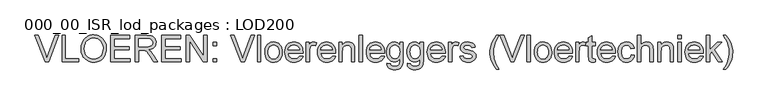
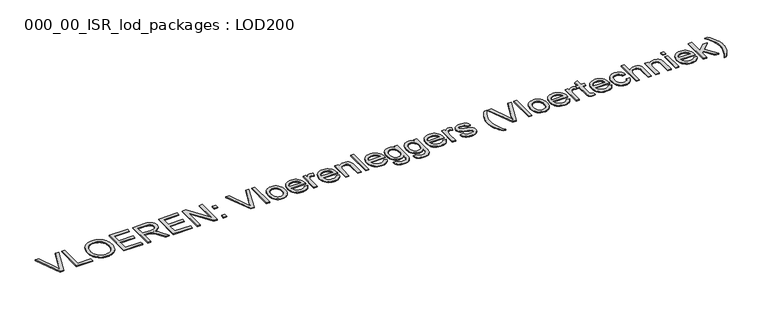
"""IFC4 building model written with IfcOpenShell, lengths in millimetres: proxy geometry, 000_00_ISR_lod_packages : LOD200."""

from ifc_helpers import new_model, si_unit, origin, origin_with_axes, place, context, project, spatial, polyline, outline, extrude, source, transform, mapped, element, save


def proxy_000_00_isr_lod_packages_lod200_28711eda(model_context):
    return source(origin(), model_context, "Body", "SweptSolid", [
        extrude(outline(polyline([(823.5806792, 500.0), (505.4645712, 1299.3886983), (612.4140357, 1299.3886983), (825.3371485, 723.4619286), (868.4682281, 593.6783631), (911.013818, 723.4619286), (1124.5224206, 1299.3886983), (1231.4718851, 1299.3886983), (926.8220418, 500.0), (823.5806792, 500.0)])), origin_with_axes(), (0.0, 0.0, 1.0), 25.0),
        extrude(outline(polyline([(1324.3695952, 500.0), (1324.3695952, 1299.3886983), (1424.2931825, 1299.3886983), (1424.2931825, 599.9235873), (1823.9875316, 599.9235873), (1823.9875316, 500.0), (1324.3695952, 500.0)])), origin_with_axes(), (0.0, 0.0, 1.0), 25.0),
        extrude(outline(polyline([(1898.9302221, 889.1555333), (1900.5952086, 937.3822036), (1905.5901682, 982.9192803), (1913.9151009, 1025.7667634), (1925.5700066, 1065.9246528), (1940.5548854, 1103.3929486), (1958.8697372, 1138.1716508), (1980.5145621, 1170.2607594), (2005.4893601, 1199.6602743), (2033.0958126, 1225.9615725), (2062.6356011, 1248.756031), (2094.1087257, 1268.0436497), (2127.5151862, 1283.8244286), (2162.8549827, 1296.0983678), (2200.1281153, 1304.8654672), (2239.3345839, 1310.1257269), (2280.4743884, 1311.8791468), (2334.2540633, 1308.5857668), (2385.3258479, 1298.7056269), (2433.6897424, 1282.2387272), (2479.3457467, 1259.1850675), (2521.013102, 1230.239917), (2557.4110493, 1196.0985449), (2588.5395887, 1156.760951), (2614.3987202, 1112.2271354), (2634.7200943, 1063.5095075), (2649.2353614, 1011.6204767), (2657.9445218, 956.560043), (2660.8475752, 898.3282064), (2657.7920505, 839.3279144), (2648.6254763, 783.5234208), (2633.3478526, 730.9147255), (2611.9591795, 681.5018285), (2584.9656616, 636.5898841), (2552.8735036, 597.4840466), (2515.6827055, 564.184316), (2473.3932674, 536.6906922), (2427.6701757, 515.1739432), (2380.1784171, 499.8048367), (2330.9179914, 490.5833729), (2279.8888987, 487.5095516), (2225.1700006, 490.906612), (2173.4273423, 501.0977933), (2124.6609236, 518.0830955), (2078.8707445, 541.8625185), (2037.2521801, 571.5151358), (2001.0006052, 606.1200207), (1970.1160199, 645.6771732), (1944.5984241, 690.1865934), (1924.6185857, 737.8613176), (1910.3472726, 786.9143824), (1901.7844847, 837.3457876), (1898.9302221, 889.1555333)]), holes=[polyline([(1998.8538094, 888.179717), (2003.848769, 821.9339892), (2018.8336478, 763.1288605), (2043.8084457, 711.7643309), (2078.7731629, 667.8404005), (2121.2760608, 632.6622236), (2168.8654011, 607.5349543), (2221.5411838, 592.4585927), (2279.3034089, 587.4331389), (2338.0536479, 592.5073835), (2391.3515135, 607.7301175), (2439.1970056, 633.1013409), (2481.5901242, 668.6210536), (2500.1839985, 689.9822819), (2516.2986896, 713.4720094), (2541.090522, 766.8369624), (2555.9656214, 828.7159123), (2560.9239879, 899.1088594), (2558.8015875, 944.8380499), (2552.4343863, 987.5666054), (2541.8223842, 1027.2945258), (2526.9655813, 1064.0218111), (2508.0286466, 1097.266652), (2485.176249, 1126.5472394), (2458.4083886, 1151.863573), (2427.7250654, 1173.2156531), (2394.0777002, 1190.1643621), (2358.417714, 1202.2705829), (2320.7451066, 1209.5343153), (2281.0598782, 1211.9555595), (2225.3041754, 1207.2899379), (2173.5737147, 1193.2930731), (2125.8684962, 1169.9649651), (2082.1885199, 1137.3056139), (2062.6569471, 1117.0833461), (2045.729584, 1093.7415157), (2031.4064307, 1067.2801226), (2019.687487, 1037.6991669), (2010.5727531, 1004.9986484), (2004.0622288, 969.1785673), (1998.8538094, 888.179717)])]), origin_with_axes(), (0.0, 0.0, 1.0), 25.0),
        extrude(outline(polyline([(2798.2425077, 500.0), (2798.2425077, 1299.3886983), (3372.8031347, 1299.3886983), (3372.8031347, 1199.465111), (2898.166095, 1199.465111), (2898.166095, 962.1465912), (3347.8222378, 962.1465912), (3347.8222378, 862.2230039), (2898.166095, 862.2230039), (2898.166095, 599.9235873), (3385.2935831, 599.9235873), (3385.2935831, 500.0), (2798.2425077, 500.0)])), origin_with_axes(), (0.0, 0.0, 1.0), 25.0),
        extrude(outline(polyline([(3535.178964, 500.0), (3535.178964, 1299.3886983), (3879.6421116, 1299.3886983), (3972.2226814, 1293.9973134), (4009.0536472, 1287.2580822), (4039.5784003, 1277.8231585), (4065.5717065, 1264.966779), (4088.8083317, 1247.9631803), (4109.2882759, 1226.8123624), (4127.0115391, 1201.5143252), (4141.3133465, 1173.4291129), (4151.5289232, 1143.9167692), (4157.6582693, 1112.9772942), (4159.7013846, 1080.6106879), (4156.3165219, 1039.5532178), (4146.1619337, 1001.8623139), (4129.23762, 967.5379762), (4105.5435809, 936.5802046), (4074.7748738, 909.9770132), (4036.626556, 888.716416), (3991.0986276, 872.7984129), (3938.1910885, 862.2230039), (3971.1248881, 840.7062549), (3994.9835962, 819.4822508), (4035.9190892, 770.9353907), (4075.9763476, 716.6312146), (4209.2728517, 500.0), (4093.1507142, 500.0), (3989.1286985, 665.6936047), (3913.9908448, 775.3753548), (3886.0581037, 807.3577335), (3861.1991839, 827.1911994), (3837.6576161, 838.8278086), (3813.6769309, 846.2196169), (3755.7134438, 849.7325555), (3635.1025513, 849.7325555), (3635.1025513, 500.0), (3535.178964, 500.0)]), holes=[polyline([(3635.1025513, 949.6561428), (3858.7596432, 949.6561428), (3922.99275, 953.1934768), (3972.8325666, 963.8054789), (4010.3527026, 982.1996158), (4025.270494, 994.5802849), (4037.6267677, 1009.0833544), (4054.2400399, 1041.602432), (4059.7777973, 1076.902586), (4057.1369945, 1102.4567749), (4049.2145861, 1125.6446093), (4036.010572, 1146.4660892), (4017.5249523, 1164.9212147), (3993.3308073, 1180.0341693), (3963.0012175, 1190.829137), (3926.5361828, 1197.3061175), (3883.9357033, 1199.465111), (3635.1025513, 1199.465111), (3635.1025513, 949.6561428)])]), origin_with_axes(), (0.0, 0.0, 1.0), 25.0),
        extrude(outline(polyline([(4334.5676624, 500.0), (4334.5676624, 1299.3886983), (4909.1282893, 1299.3886983), (4909.1282893, 1199.465111), (4434.4912497, 1199.465111), (4434.4912497, 962.1465912), (4884.1473925, 962.1465912), (4884.1473925, 862.2230039), (4434.4912497, 862.2230039), (4434.4912497, 599.9235873), (4921.6187377, 599.9235873), (4921.6187377, 500.0), (4334.5676624, 500.0)])), origin_with_axes(), (0.0, 0.0, 1.0), 25.0),
        extrude(outline(polyline([(5071.5041186, 500.0), (5071.5041186, 1299.3886983), (5178.4535832, 1299.3886983), (5596.1029519, 666.0839312), (5596.1029519, 1299.3886983), (5696.0265392, 1299.3886983), (5696.0265392, 500.0), (5589.0770747, 500.0), (5171.4277059, 1133.4999304), (5171.4277059, 500.0), (5071.5041186, 500.0)])), origin_with_axes(), (0.0, 0.0, 1.0), 25.0),
        extrude(outline(polyline([(5883.3832654, 500.0), (5883.3832654, 599.9235873), (5983.3068527, 599.9235873), (5983.3068527, 500.0), (5883.3832654, 500.0)])), origin_with_axes(), (0.0, 0.0, 1.0), 25.0),
        extrude(outline(polyline([(5883.3832654, 987.1274881), (5883.3832654, 1087.0510753), (5983.3068527, 1087.0510753), (5983.3068527, 987.1274881), (5883.3832654, 987.1274881)])), origin_with_axes(), (0.0, 0.0, 1.0), 25.0),
        extrude(outline(polyline([(6731.5627778, 500.0), (6413.4466699, 1299.3886983), (6520.3961344, 1299.3886983), (6733.3192472, 723.4619286), (6776.4503268, 593.6783631), (6818.9959167, 723.4619286), (7032.5045193, 1299.3886983), (7139.4539838, 1299.3886983), (6834.8041405, 500.0), (6731.5627778, 500.0)])), origin_with_axes(), (0.0, 0.0, 1.0), 25.0),
        extrude(outline(polyline([(7219.8612454, 500.0), (7219.8612454, 1299.3886983), (7319.7848327, 1299.3886983), (7319.7848327, 500.0), (7219.8612454, 500.0)])), origin_with_axes(), (0.0, 0.0, 1.0), 25.0),
        extrude(outline(polyline([(7444.6893168, 793.5255377), (7450.0928995, 869.5538238), (7456.8473778, 903.6250591), (7466.3036475, 935.0676894), (7478.4617085, 963.8817146), (7493.3215608, 990.0671346), (7510.8832045, 1013.6239495), (7531.1466394, 1034.5521594), (7569.2278699, 1062.9850063), (7611.2611562, 1083.2941827), (7657.2464985, 1095.4796885), (7707.1838967, 1099.5415238), (7762.3114178, 1094.595355), (7812.1573333, 1079.7568486), (7856.7216431, 1055.0260047), (7896.0043473, 1020.4028233), (7928.0660111, 977.0582838), (7950.9671994, 926.1633658), (7964.7079125, 867.7180694), (7969.2881501, 801.7223944), (7967.2633313, 748.2354645), (7961.188875, 700.7742001), (7951.0647811, 659.3386012), (7936.8910496, 623.9286678), (7918.8445472, 593.3429262), (7897.1021407, 566.3799026), (7871.66383, 543.0395969), (7842.5296151, 523.3220091), (7810.8338825, 507.654059), (7777.7110185, 496.462666), (7743.1610233, 489.7478302), (7707.1838967, 487.5095516), (7651.2513272, 492.4374238), (7600.941899, 507.2210405), (7556.2556122, 531.8604016), (7517.1924666, 566.3555072), (7485.4723386, 610.1208674), (7462.8151043, 662.5709926), (7449.2207637, 723.7058827), (7444.6893168, 793.5255377)]), holes=[polyline([(7544.6129041, 793.7207009), (7547.5037599, 745.253126), (7556.1763271, 703.286927), (7570.6306058, 667.822104), (7590.8665959, 638.858657), (7615.4815616, 616.3599928), (7643.072767, 600.2895184), (7673.640212, 590.6472338), (7707.1838967, 587.4331389), (7740.5568136, 590.6655303), (7771.0022816, 600.3627046), (7798.5203008, 616.5246618), (7823.1108711, 639.1514018), (7843.3468612, 668.4014949), (7857.8011399, 704.4335111), (7866.4737071, 747.2474505), (7869.3645628, 796.843313), (7866.4554105, 843.7739774), (7857.7279537, 884.642383), (7843.1821922, 919.44853), (7822.8181262, 948.1924184), (7798.1360731, 970.6910825), (7770.6363505, 986.7615569), (7740.3189584, 996.4038416), (7707.1838967, 999.6179365), (7673.640212, 996.4160393), (7643.072767, 986.8103478), (7615.4815616, 970.8008619), (7590.8665959, 948.3875817), (7570.6306058, 919.5095186), (7556.1763271, 884.1056841), (7547.5037599, 842.1760782), (7544.6129041, 793.7207009)])]), origin_with_axes(), (0.0, 0.0, 1.0), 25.0),
        extrude(outline(polyline([(8492.7160039, 674.8662778), (8590.6879586, 662.3758294), (8575.6664867, 623.1358171), (8555.3878046, 588.5553276), (8529.8519123, 558.6343609), (8499.0588097, 533.3729168), (8463.3256372, 513.3076945), (8422.9695351, 498.9753929), (8377.9905034, 490.3760119), (8328.388542, 487.5095516), (8266.3876149, 492.4557204), (8211.1442157, 507.2942267), (8162.6583441, 532.0250706), (8120.9300004, 566.6482521), (8087.374118, 610.2001525), (8063.4056305, 661.7171534), (8049.0245381, 721.1992546), (8044.2308406, 788.6464563), (8049.0733289, 858.3807273), (8063.6007938, 919.8449554), (8087.8132353, 973.0391405), (8103.5513223, 996.5349669), (8121.7106534, 1017.9632826), (8163.3292178, 1053.6537631), (8210.7050983, 1079.1469635), (8263.8382949, 1094.4428837), (8322.7288075, 1099.5415238), (8379.7225773, 1094.4550814), (8431.2639735, 1079.1957543), (8477.3529963, 1053.7635424), (8517.9896456, 1018.1584458), (8551.1613003, 973.3318854), (8574.8553394, 920.2352819), (8589.0717629, 858.8686355), (8593.8105707, 789.231946), (8593.2250809, 762.2994166), (8144.1544279, 762.2994166), (8149.9422382, 722.4251238), (8161.4507715, 687.5030986), (8178.6800277, 657.5333411), (8201.6300069, 632.5158511), (8229.0321479, 612.7921645), (8259.6178895, 598.7038169), (8293.3872317, 590.2508084), (8330.3401745, 587.4331389), (8383.5221619, 592.653756), (8428.3121293, 608.3156073), (8447.5601054, 620.3059499), (8464.7100766, 635.3945091), (8479.7620427, 653.5812851), (8492.7160039, 674.8662778)]), holes=[polyline([(8144.1544279, 862.2230039), (8493.8869834, 862.2230039), (8488.7517502, 890.4972807), (8480.3719279, 915.0146648), (8468.7475165, 935.7751562), (8453.8785159, 952.7787549), (8426.6288462, 973.2708968), (8395.6222838, 987.9081411), (8360.8588288, 996.6904876), (8322.338481, 999.6179365), (8287.202996, 997.2820762), (8254.9827621, 990.2744956), (8225.6777794, 978.5951944), (8199.2880478, 962.2441729), (8177.1431171, 941.9776884), (8160.5725368, 918.5519988), (8149.5763071, 891.967104), (8144.1544279, 862.2230039)])]), origin_with_axes(), (0.0, 0.0, 1.0), 25.0),
        extrude(outline(polyline([(8693.734158, 500.0), (8693.734158, 1087.0510753), (8781.1672969, 1087.0510753), (8781.1672969, 1000.2034262), (8813.4668158, 1050.5555464), (8828.6651544, 1067.973867), (8843.2292124, 1080.2203614), (8873.0891907, 1094.7112332), (8905.6814545, 1099.5415238), (8930.4671881, 1097.6142866), (8955.4480849, 1091.8325751), (8980.624145, 1082.1963893), (9005.9953683, 1068.7057292), (8972.6224514, 979.1257945), (8937.4930653, 994.494901), (8902.3636791, 999.6179365), (8872.5280963, 994.6900642), (8845.8639164, 979.9064476), (8824.322772, 956.3892752), (8809.8562956, 925.2607358), (8797.7073829, 869.4440444), (8793.6577453, 808.5531084), (8793.6577453, 500.0), (8693.734158, 500.0)])), origin_with_axes(), (0.0, 0.0, 1.0), 25.0),
        extrude(outline(polyline([(9479.4614284, 674.8662778), (9577.4333831, 662.3758294), (9562.4119112, 623.1358171), (9542.1332291, 588.5553276), (9516.5973368, 558.6343609), (9485.8042342, 533.3729168), (9450.0710617, 513.3076945), (9409.7149596, 498.9753929), (9364.7359279, 490.3760119), (9315.1339665, 487.5095516), (9253.1330395, 492.4557204), (9197.8896402, 507.2942267), (9149.4037687, 532.0250706), (9107.6754249, 566.6482521), (9074.1195425, 610.2001525), (9050.1510551, 661.7171534), (9035.7699626, 721.1992546), (9030.9762651, 788.6464563), (9035.8187534, 858.3807273), (9050.3462183, 919.8449554), (9074.5586598, 973.0391405), (9090.2967468, 996.5349669), (9108.4560779, 1017.9632826), (9150.0746424, 1053.6537631), (9197.4505229, 1079.1469635), (9250.5837194, 1094.4428837), (9309.474232, 1099.5415238), (9366.4680018, 1094.4550814), (9418.009398, 1079.1957543), (9464.0984208, 1053.7635424), (9504.7350701, 1018.1584458), (9537.9067248, 973.3318854), (9561.6007639, 920.2352819), (9575.8171874, 858.8686355), (9580.5559952, 789.231946), (9579.9705055, 762.2994166), (9130.8998524, 762.2994166), (9136.6876627, 722.4251238), (9148.196196, 687.5030986), (9165.4254522, 657.5333411), (9188.3754314, 632.5158511), (9215.7775724, 612.7921645), (9246.363314, 598.7038169), (9280.1326562, 590.2508084), (9317.085599, 587.4331389), (9370.2675864, 592.653756), (9415.0575538, 608.3156073), (9434.3055299, 620.3059499), (9451.4555011, 635.3945091), (9466.5074673, 653.5812851), (9479.4614284, 674.8662778)]), holes=[polyline([(9130.8998524, 862.2230039), (9480.6324079, 862.2230039), (9475.4971748, 890.4972807), (9467.1173524, 915.0146648), (9455.492941, 935.7751562), (9440.6239404, 952.7787549), (9413.3742707, 973.2708968), (9382.3677083, 987.9081411), (9347.6042533, 996.6904876), (9309.0839055, 999.6179365), (9273.9484205, 997.2820762), (9241.7281867, 990.2744956), (9212.4232039, 978.5951944), (9186.0334724, 962.2441729), (9163.8885416, 941.9776884), (9147.3179614, 918.5519988), (9136.3217316, 891.967104), (9130.8998524, 862.2230039)])]), origin_with_axes(), (0.0, 0.0, 1.0), 25.0),
        extrude(outline(polyline([(9680.4795825, 500.0), (9680.4795825, 1087.0510753), (9780.4031698, 1087.0510753), (9780.4031698, 1005.0825076), (9796.8883661, 1027.2213395), (9815.1178341, 1046.4083272), (9835.0915736, 1062.6434706), (9856.8095847, 1075.9267697), (9880.2718674, 1086.2582246), (9905.4784218, 1093.6378352), (9961.1243453, 1099.5415238), (10010.3786721, 1094.7844194), (10055.4857798, 1080.5131063), (10093.1034974, 1058.5084491), (10119.8896544, 1030.5513126), (10138.0642326, 996.714883), (10149.8472142, 957.0723466), (10153.7992702, 919.161884), (10155.1166222, 860.4665346), (10155.1166222, 500.0), (10055.1930349, 500.0), (10055.1930349, 847.0002699), (10052.3143768, 898.6697421), (10043.6784027, 935.4092251), (10027.7482019, 961.7318693), (10002.9868638, 982.150825), (9971.2484392, 995.2511586), (9934.3869791, 999.6179365), (9904.0451916, 997.1661981), (9875.8623976, 989.8109828), (9849.8385971, 977.5522908), (9825.9737902, 960.3901219), (9806.0366438, 936.3728437), (9791.7958249, 903.5488235), (9783.2513336, 861.9180613), (9780.4031698, 811.4805573), (9780.4031698, 500.0), (9680.4795825, 500.0)])), origin_with_axes(), (0.0, 0.0, 1.0), 25.0),
        extrude(outline(polyline([(10953.334341, 674.8662778), (11051.3062957, 662.3758294), (11036.2848238, 623.1358171), (11016.0061417, 588.5553276), (10990.4702494, 558.6343609), (10959.6771468, 533.3729168), (10923.9439743, 513.3076945), (10883.5878722, 498.9753929), (10838.6088404, 490.3760119), (10789.0068791, 487.5095516), (10727.005952, 492.4557204), (10671.7625527, 507.2942267), (10623.2766812, 532.0250706), (10581.5483375, 566.6482521), (10547.9924551, 610.2001525), (10524.0239676, 661.7171534), (10509.6428752, 721.1992546), (10504.8491777, 788.6464563), (10509.691666, 858.3807273), (10524.2191309, 919.8449554), (10548.4315724, 973.0391405), (10564.1696594, 996.5349669), (10582.3289905, 1017.9632826), (10623.9475549, 1053.6537631), (10671.3234354, 1079.1469635), (10724.456632, 1094.4428837), (10783.3471446, 1099.5415238), (10840.3409143, 1094.4550814), (10891.8823106, 1079.1957543), (10937.9713334, 1053.7635424), (10978.6079827, 1018.1584458), (11011.7796374, 973.3318854), (11035.4736765, 920.2352819), (11049.6901, 858.8686355), (11054.4289078, 789.231946), (11053.843418, 762.2994166), (10604.772765, 762.2994166), (10610.5605753, 722.4251238), (10622.0691086, 687.5030986), (10639.2983648, 657.5333411), (10662.248344, 632.5158511), (10689.650485, 612.7921645), (10720.2362266, 598.7038169), (10754.0055688, 590.2508084), (10790.9585116, 587.4331389), (10844.140499, 592.653756), (10888.9304663, 608.3156073), (10908.1784425, 620.3059499), (10925.3284137, 635.3945091), (10940.3803798, 653.5812851), (10953.334341, 674.8662778)]), holes=[polyline([(10604.772765, 862.2230039), (10954.5053205, 862.2230039), (10949.3700873, 890.4972807), (10940.990265, 915.0146648), (10929.3658535, 935.7751562), (10914.4968529, 952.7787549), (10887.2471833, 973.2708968), (10856.2406209, 987.9081411), (10821.4771658, 996.6904876), (10782.9568181, 999.6179365), (10747.8213331, 997.2820762), (10715.6010992, 990.2744956), (10686.2961165, 978.5951944), (10659.9063849, 962.2441729), (10637.7614542, 941.9776884), (10621.1908739, 918.5519988), (10610.1946442, 891.967104), (10604.772765, 862.2230039)])]), origin_with_axes(), (0.0, 0.0, 1.0), 25.0),
        extrude(outline(polyline([(11129.3715983, 450.0382064), (11229.2951856, 437.5477579), (11233.515591, 420.7149271), (11240.3219095, 406.3216369), (11249.7141413, 394.3678875), (11261.6922861, 384.8536787), (11281.074437, 375.1199113), (11303.7011771, 368.1672203), (11358.6884246, 362.6050675), (11389.8901502, 364.1785712), (11417.3349831, 368.8990825), (11441.0229234, 376.7666013), (11460.9539709, 387.7811276), (11477.5428477, 401.6377188), (11491.2042757, 418.0314323), (11501.9382548, 436.9622682), (11509.7447851, 458.4302264), (11515.1605654, 501.4149336), (11516.575499, 574.9426905), (11483.3245592, 542.1552634), (11446.2191451, 518.7356726), (11405.2592566, 504.6839182), (11360.4448939, 500.0), (11305.6589085, 505.4523735), (11257.4230899, 521.8094939), (11235.7614931, 534.0773342), (11215.7374381, 549.0713613), (11180.6019531, 587.2379756), (11152.7241017, 633.0281547), (11132.8113507, 683.1607162), (11120.8637001, 737.6356601), (11116.8811499, 796.4529865), (11118.6681134, 837.6019394), (11124.0290041, 877.1285976), (11132.963822, 915.0329614), (11145.4725669, 951.3150305), (11161.3661746, 984.7672324), (11180.4555806, 1014.1819945), (11202.740785, 1039.5593167), (11228.2217876, 1060.899199), (11256.4899656, 1077.8052161), (11287.1366957, 1089.8809426), (11320.161978, 1097.1263785), (11355.5658125, 1099.5415238), (11402.2952147, 1094.0769526), (11444.7066298, 1077.683239), (11482.800058, 1050.3603831), (11516.575499, 1012.1083849), (11516.575499, 1087.0510753), (11616.4990863, 1087.0510753), (11616.4990863, 580.2120984), (11614.7914078, 516.704755), (11609.6683723, 463.1873308), (11601.1299799, 419.6598257), (11589.1762304, 386.1222399), (11573.5204779, 359.0738323), (11553.8760764, 335.0138621), (11530.2430258, 313.9423293), (11502.6213262, 295.8592338), (11471.2915247, 281.3439666), (11436.5341685, 270.9759186), (11398.3492576, 264.7550898), (11356.736792, 262.6814802), (11307.7813089, 265.6028302), (11263.7658957, 274.3668802), (11224.6905525, 288.9736301), (11190.5552792, 309.4230801), (11162.9823703, 335.7396255), (11143.5941206, 367.9476616), (11132.3905299, 406.0471886), (11129.3715983, 450.0382064)]), holes=[polyline([(11216.8047371, 803.2837005), (11219.4699354, 753.8769024), (11227.46553, 711.6301562), (11240.7915211, 676.543462), (11259.4479087, 648.6168198), (11282.1295384, 627.3135306), (11307.531256, 612.0968954), (11335.6530615, 602.9669143), (11366.4949548, 599.9235873), (11397.0319056, 602.9486178), (11425.0195364, 612.0237092), (11450.4578471, 627.1488616), (11473.3468377, 648.3240749), (11492.259377, 675.9762688), (11505.7683337, 710.5323629), (11513.8737077, 751.9923572), (11516.575499, 800.3562516), (11513.7944226, 846.7014262), (11505.4511934, 886.9843421), (11491.5458114, 921.2049993), (11472.0782766, 949.3633979), (11448.6952789, 971.3497585), (11423.0435084, 987.0543018), (11395.122965, 996.4770278), (11364.9336488, 999.6179365), (11335.2505372, 996.5258186), (11307.8727917, 987.2494651), (11282.8004121, 971.7888759), (11260.0333984, 950.144051), (11241.1208591, 922.412572), (11227.6119025, 888.6920206), (11219.5065285, 848.9823968), (11216.8047371, 803.2837005)])]), origin_with_axes(), (0.0, 0.0, 1.0), 25.0),
        extrude(outline(polyline([(11741.4035704, 450.0382064), (11841.3271577, 437.5477579), (11845.5475631, 420.7149271), (11852.3538817, 406.3216369), (11861.7461134, 394.3678875), (11873.7242583, 384.8536787), (11893.1064092, 375.1199113), (11915.7331492, 368.1672203), (11970.7203967, 362.6050675), (12001.9221224, 364.1785712), (12029.3669553, 368.8990825), (12053.0548955, 376.7666013), (12072.9859431, 387.7811276), (12089.5748199, 401.6377188), (12103.2362479, 418.0314323), (12113.970227, 436.9622682), (12121.7767572, 458.4302264), (12127.1925376, 501.4149336), (12128.6074712, 574.9426905), (12095.3565314, 542.1552634), (12058.2511173, 518.7356726), (12017.2912288, 504.6839182), (11972.476866, 500.0), (11917.6908807, 505.4523735), (11869.4550621, 521.8094939), (11847.7934653, 534.0773342), (11827.7694103, 549.0713613), (11792.6339252, 587.2379756), (11764.7560738, 633.0281547), (11744.8433228, 683.1607162), (11732.8956722, 737.6356601), (11728.913122, 796.4529865), (11730.7000856, 837.6019394), (11736.0609763, 877.1285976), (11744.9957941, 915.0329614), (11757.5045391, 951.3150305), (11773.3981468, 984.7672324), (11792.4875528, 1014.1819945), (11814.7727571, 1039.5593167), (11840.2537598, 1060.899199), (11868.5219377, 1077.8052161), (11899.1686679, 1089.8809426), (11932.1939502, 1097.1263785), (11967.5977846, 1099.5415238), (12014.3271869, 1094.0769526), (12056.738602, 1077.683239), (12094.8320301, 1050.3603831), (12128.6074712, 1012.1083849), (12128.6074712, 1087.0510753), (12228.5310585, 1087.0510753), (12228.5310585, 580.2120984), (12226.82338, 516.704755), (12221.7003445, 463.1873308), (12213.161952, 419.6598257), (12201.2082026, 386.1222399), (12185.5524501, 359.0738323), (12165.9080486, 335.0138621), (12142.274998, 313.9423293), (12114.6532984, 295.8592338), (12083.3234969, 281.3439666), (12048.5661407, 270.9759186), (12010.3812298, 264.7550898), (11968.7687642, 262.6814802), (11919.8132811, 265.6028302), (11875.7978679, 274.3668802), (11836.7225246, 288.9736301), (11802.5872513, 309.4230801), (11775.0143425, 335.7396255), (11755.6260927, 367.9476616), (11744.4225021, 406.0471886), (11741.4035704, 450.0382064)]), holes=[polyline([(11828.8367093, 803.2837005), (11831.5019075, 753.8769024), (11839.4975022, 711.6301562), (11852.8234933, 676.543462), (11871.4798808, 648.6168198), (11894.1615106, 627.3135306), (11919.5632281, 612.0968954), (11947.6850336, 602.9669143), (11978.526927, 599.9235873), (12009.0638778, 602.9486178), (12037.0515085, 612.0237092), (12062.4898192, 627.1488616), (12085.3788099, 648.3240749), (12104.2913492, 675.9762688), (12117.8003059, 710.5323629), (12125.9056799, 751.9923572), (12128.6074712, 800.3562516), (12125.8263948, 846.7014262), (12117.4831656, 886.9843421), (12103.5777836, 921.2049993), (12084.1102487, 949.3633979), (12060.7272511, 971.3497585), (12035.0754805, 987.0543018), (12007.1549372, 996.4770278), (11976.9656209, 999.6179365), (11947.2825094, 996.5258186), (11919.9047638, 987.2494651), (11894.8323842, 971.7888759), (11872.0653706, 950.144051), (11853.1528313, 922.412572), (11839.6438746, 888.6920206), (11831.5385006, 848.9823968), (11828.8367093, 803.2837005)])]), origin_with_axes(), (0.0, 0.0, 1.0), 25.0),
        extrude(outline(polyline([(12789.4302575, 674.8662778), (12887.4022122, 662.3758294), (12872.3807403, 623.1358171), (12852.1020582, 588.5553276), (12826.5661659, 558.6343609), (12795.7730633, 533.3729168), (12760.0398908, 513.3076945), (12719.6837887, 498.9753929), (12674.7047569, 490.3760119), (12625.1027956, 487.5095516), (12563.1018685, 492.4557204), (12507.8584693, 507.2942267), (12459.3725977, 532.0250706), (12417.644254, 566.6482521), (12384.0883716, 610.2001525), (12360.1198841, 661.7171534), (12345.7387917, 721.1992546), (12340.9450942, 788.6464563), (12345.7875825, 858.3807273), (12360.3150474, 919.8449554), (12384.5274889, 973.0391405), (12400.2655759, 996.5349669), (12418.424907, 1017.9632826), (12460.0434714, 1053.6537631), (12507.4193519, 1079.1469635), (12560.5525485, 1094.4428837), (12619.4430611, 1099.5415238), (12676.4368308, 1094.4550814), (12727.9782271, 1079.1957543), (12774.0672499, 1053.7635424), (12814.7038992, 1018.1584458), (12847.8755539, 973.3318854), (12871.569593, 920.2352819), (12885.7860165, 858.8686355), (12890.5248243, 789.231946), (12889.9393345, 762.2994166), (12440.8686815, 762.2994166), (12446.6564918, 722.4251238), (12458.1650251, 687.5030986), (12475.3942813, 657.5333411), (12498.3442605, 632.5158511), (12525.7464015, 612.7921645), (12556.3321431, 598.7038169), (12590.1014853, 590.2508084), (12627.0544281, 587.4331389), (12680.2364155, 592.653756), (12725.0263828, 608.3156073), (12744.274359, 620.3059499), (12761.4243302, 635.3945091), (12776.4762963, 653.5812851), (12789.4302575, 674.8662778)]), holes=[polyline([(12440.8686815, 862.2230039), (12790.601237, 862.2230039), (12785.4660038, 890.4972807), (12777.0861815, 915.0146648), (12765.46177, 935.7751562), (12750.5927694, 952.7787549), (12723.3430998, 973.2708968), (12692.3365374, 987.9081411), (12657.5730823, 996.6904876), (12619.0527346, 999.6179365), (12583.9172496, 997.2820762), (12551.6970157, 990.2744956), (12522.392033, 978.5951944), (12496.0023014, 962.2441729), (12473.8573707, 941.9776884), (12457.2867904, 918.5519988), (12446.2905607, 891.967104), (12440.8686815, 862.2230039)])]), origin_with_axes(), (0.0, 0.0, 1.0), 25.0),
        extrude(outline(polyline([(12990.4484116, 500.0), (12990.4484116, 1087.0510753), (13077.8815505, 1087.0510753), (13077.8815505, 1000.2034262), (13110.1810694, 1050.5555464), (13125.379408, 1067.973867), (13139.943466, 1080.2203614), (13169.8034443, 1094.7112332), (13202.3957081, 1099.5415238), (13227.1814416, 1097.6142866), (13252.1623385, 1091.8325751), (13277.3383985, 1082.1963893), (13302.7096219, 1068.7057292), (13269.336705, 979.1257945), (13234.2073189, 994.494901), (13199.0779327, 999.6179365), (13169.2423499, 994.6900642), (13142.57817, 979.9064476), (13121.0370256, 956.3892752), (13106.5705492, 925.2607358), (13094.4216365, 869.4440444), (13090.3719989, 808.5531084), (13090.3719989, 500.0), (12990.4484116, 500.0)])), origin_with_axes(), (0.0, 0.0, 1.0), 25.0),
        extrude(outline(polyline([(13327.6905187, 674.8662778), (13427.614106, 687.3567262), (13433.6519692, 664.571416), (13443.373539, 644.615973), (13456.7788151, 627.4903973), (13473.8677978, 613.1946887), (13494.6892777, 601.9240107), (13519.2920457, 593.8735263), (13547.6761018, 589.0432357), (13579.841446, 587.4331389), (13611.9701971, 588.909061), (13639.6589841, 593.3368274), (13662.907807, 600.716438), (13681.7166659, 611.0478929), (13696.2319331, 623.3675735), (13706.5999811, 636.7118611), (13712.8208099, 651.0807559), (13714.8944195, 666.4742577), (13712.8086122, 679.9649178), (13706.5511903, 691.9430627), (13696.1221537, 702.4086923), (13681.5215026, 711.3618067), (13644.0989482, 724.0474184), (13578.6704665, 739.8556422), (13487.4804349, 766.2270772), (13428.1995958, 788.7440379), (13390.1183654, 813.3102128), (13375.0115095, 828.5756388), (13362.52716, 845.8292904), (13345.7675153, 884.2276611), (13340.1809671, 926.4317153), (13344.669722, 965.1472263), (13358.1359867, 1000.8864976), (13379.3599908, 1032.2345957), (13407.1219641, 1057.7765869), (13434.7131695, 1073.8531601), (13470.647604, 1087.3438202), (13512.1929823, 1096.4920979), (13556.6170185, 1099.5415238), (13621.6551737, 1094.6380469), (13678.2037273, 1079.9276165), (13723.676766, 1056.8495614), (13741.2902499, 1042.712423), (13755.4883768, 1026.8432107), (13776.5660085, 987.6885824), (13789.8371099, 937.1656944), (13689.9135226, 924.675246), (13685.1503194, 941.3678033), (13677.3010972, 956.1209257), (13666.365856, 968.9346132), (13652.3445958, 979.8088659), (13635.1763281, 988.4753343), (13614.8000643, 994.6656688), (13564.4235488, 999.6179365), (13507.0455514, 994.8852275), (13485.5288023, 988.9693413), (13468.7935531, 980.6871006), (13447.2768041, 960.1949587), (13441.8976168, 948.7779082), (13440.1045544, 936.5802046), (13443.0807941, 921.2110982), (13452.0095131, 907.5008794), (13467.2810379, 895.2543851), (13489.285695, 885.4474315), (13575.3526911, 864.1746365), (13663.6396692, 838.071551), (13722.0178783, 817.1402917), (13760.7577847, 794.6477264), (13790.1298548, 763.8607227), (13800.9309213, 745.332411), (13808.6459688, 724.681699), (13813.2749973, 701.9085865), (13814.8180068, 677.0130736), (13813.0066478, 652.0077814), (13807.5725709, 627.7343513), (13798.515776, 604.1927835), (13785.8362632, 581.3830779), (13769.7413934, 560.2139635), (13750.4385275, 541.594169), (13727.9276657, 525.5236946), (13702.2088078, 512.0025403), (13673.9833218, 501.2868577), (13643.9525758, 493.6327988), (13612.1165695, 489.0403634), (13578.4753032, 487.5095516), (13524.6956284, 490.4613958), (13477.7222721, 499.3169286), (13437.5552344, 514.0761499), (13404.1945152, 534.7390596), (13376.9448455, 561.2080763), (13355.1109562, 593.3856182), (13338.6928473, 631.2716854), (13327.6905187, 674.8662778)])), origin_with_axes(), (0.0, 0.0, 1.0), 25.0),
        extrude(outline(polyline([(14439.3404273, 275.1719286), (14399.0026218, 327.365902), (14361.9094054, 383.8290716), (14328.0607781, 444.5614375), (14297.4567399, 509.5629996), (14272.0977143, 577.309045), (14253.9841245, 646.2748607), (14243.1159707, 716.4604468), (14239.4932528, 787.8658032), (14242.2011429, 850.6229879), (14250.3248135, 912.0384251), (14263.8642644, 972.112115), (14282.8194957, 1030.8440575), (14311.6304714, 1098.1997764), (14347.3209519, 1165.4091228), (14389.8909372, 1232.4720968), (14439.3404273, 1299.3886983), (14514.2831178, 1299.3886983), (14455.4901868, 1204.3929833), (14420.799918, 1141.1112974), (14388.8907256, 1065.9734437), (14364.5929001, 987.7129778), (14345.7108551, 887.7405997), (14339.41684, 787.2803135), (14342.1491256, 723.2240734), (14350.3459824, 659.180031), (14364.0074104, 595.1481864), (14383.1334095, 531.1285394), (14407.7239798, 467.1210901), (14437.7791213, 403.1258386), (14473.298834, 339.1427847), (14514.2831178, 275.1719286), (14439.3404273, 275.1719286)])), origin_with_axes(), (0.0, 0.0, 1.0), 25.0),
        extrude(outline(polyline([(14862.8446938, 500.0), (14544.7285858, 1299.3886983), (14651.6780503, 1299.3886983), (14864.6011631, 723.4619286), (14907.7322428, 593.6783631), (14950.2778327, 723.4619286), (15163.7864352, 1299.3886983), (15270.7358997, 1299.3886983), (14966.0860564, 500.0), (14862.8446938, 500.0)])), origin_with_axes(), (0.0, 0.0, 1.0), 25.0),
        extrude(outline(polyline([(15575.9712328, 793.5255377), (15581.3748155, 869.5538238), (15588.1292938, 903.6250591), (15597.5855634, 935.0676894), (15609.7436244, 963.8817146), (15624.6034768, 990.0671346), (15642.1651204, 1013.6239495), (15662.4285554, 1034.5521594), (15700.5097858, 1062.9850063), (15742.5430722, 1083.2941827), (15788.5284145, 1095.4796885), (15838.4658127, 1099.5415238), (15893.5933338, 1094.595355), (15943.4392492, 1079.7568486), (15988.0035591, 1055.0260047), (16027.2862633, 1020.4028233), (16059.347927, 977.0582838), (16082.2491154, 926.1633658), (16095.9898284, 867.7180694), (16100.5700661, 801.7223944), (16098.5452473, 748.2354645), (16092.4707909, 700.7742001), (16082.346697, 659.3386012), (16068.1729655, 623.9286678), (16050.1264631, 593.3429262), (16028.3840566, 566.3799026), (16002.9457459, 543.0395969), (15973.811531, 523.3220091), (15942.1157984, 507.654059), (15908.9929345, 496.462666), (15874.4429392, 489.7478302), (15838.4658127, 487.5095516), (15782.5332432, 492.4374238), (15732.223815, 507.2210405), (15687.5375281, 531.8604016), (15648.4743826, 566.3555072), (15616.7542545, 610.1208674), (15594.0970202, 662.5709926), (15580.5026797, 723.7058827), (15575.9712328, 793.5255377)]), holes=[polyline([(15675.8948201, 793.7207009), (15678.7856758, 745.253126), (15687.458243, 703.286927), (15701.9125217, 667.822104), (15722.1485119, 638.858657), (15746.7634776, 616.3599928), (15774.354683, 600.2895184), (15804.922128, 590.6472338), (15838.4658127, 587.4331389), (15871.8387295, 590.6655303), (15902.2841975, 600.3627046), (15929.8022167, 616.5246618), (15954.392787, 639.1514018), (15974.6287772, 668.4014949), (15989.0830558, 704.4335111), (15997.7556231, 747.2474505), (16000.6464788, 796.843313), (15997.7373265, 843.7739774), (15989.0098696, 884.642383), (15974.4641082, 919.44853), (15954.1000421, 948.1924184), (15929.417989, 970.6910825), (15901.9182664, 986.7615569), (15871.6008743, 996.4038416), (15838.4658127, 999.6179365), (15804.922128, 996.4160393), (15774.354683, 986.8103478), (15746.7634776, 970.8008619), (15722.1485119, 948.3875817), (15701.9125217, 919.5095186), (15687.458243, 884.1056841), (15678.7856758, 842.1760782), (15675.8948201, 793.7207009)])]), origin_with_axes(), (0.0, 0.0, 1.0), 25.0),
        extrude(outline(polyline([(16623.9979198, 674.8662778), (16721.9698746, 662.3758294), (16706.9484027, 623.1358171), (16686.6697206, 588.5553276), (16661.1338282, 558.6343609), (16630.3407257, 533.3729168), (16594.6075532, 513.3076945), (16554.2514511, 498.9753929), (16509.2724193, 490.3760119), (16459.6704579, 487.5095516), (16397.6695309, 492.4557204), (16342.4261316, 507.2942267), (16293.9402601, 532.0250706), (16252.2119163, 566.6482521), (16218.6560339, 610.2001525), (16194.6875465, 661.7171534), (16180.306454, 721.1992546), (16175.5127566, 788.6464563), (16180.3552449, 858.3807273), (16194.8827098, 919.8449554), (16219.0951513, 973.0391405), (16234.8332382, 996.5349669), (16252.9925694, 1017.9632826), (16294.6111338, 1053.6537631), (16341.9870143, 1079.1469635), (16395.1202109, 1094.4428837), (16454.0107235, 1099.5415238), (16511.0044932, 1094.4550814), (16562.5458895, 1079.1957543), (16608.6349122, 1053.7635424), (16649.2715615, 1018.1584458), (16682.4432163, 973.3318854), (16706.1372554, 920.2352819), (16720.3536788, 858.8686355), (16725.0924867, 789.231946), (16724.5069969, 762.2994166), (16275.4363438, 762.2994166), (16281.2241542, 722.4251238), (16292.7326874, 687.5030986), (16309.9619437, 657.5333411), (16332.9119229, 632.5158511), (16360.3140638, 612.7921645), (16390.8998054, 598.7038169), (16424.6691476, 590.2508084), (16461.6220905, 587.4331389), (16514.8040779, 592.653756), (16559.5940452, 608.3156073), (16578.8420214, 620.3059499), (16595.9919925, 635.3945091), (16611.0439587, 653.5812851), (16623.9979198, 674.8662778)]), holes=[polyline([(16275.4363438, 862.2230039), (16625.1688994, 862.2230039), (16620.0336662, 890.4972807), (16611.6538439, 915.0146648), (16600.0294324, 935.7751562), (16585.1604318, 952.7787549), (16557.9107621, 973.2708968), (16526.9041998, 987.9081411), (16492.1407447, 996.6904876), (16453.620397, 999.6179365), (16418.484912, 997.2820762), (16386.2646781, 990.2744956), (16356.9596954, 978.5951944), (16330.5699638, 962.2441729), (16308.425033, 941.9776884), (16291.8544528, 918.5519988), (16280.8582231, 891.967104), (16275.4363438, 862.2230039)])]), origin_with_axes(), (0.0, 0.0, 1.0), 25.0),
        extrude(outline(polyline([(16825.016074, 500.0), (16825.016074, 1087.0510753), (16912.4492128, 1087.0510753), (16912.4492128, 1000.2034262), (16944.7487318, 1050.5555464), (16959.9470704, 1067.973867), (16974.5111284, 1080.2203614), (17004.3711066, 1094.7112332), (17036.9633704, 1099.5415238), (17061.749104, 1097.6142866), (17086.7300008, 1091.8325751), (17111.9060609, 1082.1963893), (17137.2772842, 1068.7057292), (17103.9043674, 979.1257945), (17068.7749812, 994.494901), (17033.6455951, 999.6179365), (17003.8100123, 994.6900642), (16977.1458323, 979.9064476), (16955.6046879, 956.3892752), (16941.1382115, 925.2607358), (16928.9892988, 869.4440444), (16924.9396612, 808.5531084), (16924.9396612, 500.0), (16825.016074, 500.0)])), origin_with_axes(), (0.0, 0.0, 1.0), 25.0),
        extrude(outline(polyline([(17412.0671493, 583.3347105), (17424.5575977, 497.0725512), (17384.9882475, 489.9003015), (17349.8100705, 487.5095516), (17301.8487002, 491.6567708), (17266.0850335, 504.0984284), (17240.8113918, 523.2732183), (17224.3200966, 547.6198346), (17215.2450052, 589.4335623), (17212.2199747, 661.0096866), (17212.2199747, 987.1274881), (17137.2772842, 987.1274881), (17137.2772842, 1087.0510753), (17212.2199747, 1087.0510753), (17212.2199747, 1229.7154158), (17312.143562, 1288.459556), (17312.143562, 1087.0510753), (17412.0671493, 1087.0510753), (17412.0671493, 987.1274881), (17312.143562, 987.1274881), (17312.143562, 663.9371354), (17313.460914, 631.0521267), (17317.4129699, 612.4140357), (17324.3168701, 602.0947785), (17334.4897549, 594.1662712), (17348.9074404, 589.116422), (17368.5457431, 587.4331389), (17412.0671493, 583.3347105)])), origin_with_axes(), (0.0, 0.0, 1.0), 25.0),
        extrude(outline(polyline([(17923.0045546, 674.8662778), (18020.9765094, 662.3758294), (18005.9550375, 623.1358171), (17985.6763554, 588.5553276), (17960.140463, 558.6343609), (17929.3473605, 533.3729168), (17893.614188, 513.3076945), (17853.2580859, 498.9753929), (17808.2790541, 490.3760119), (17758.6770927, 487.5095516), (17696.6761657, 492.4557204), (17641.4327664, 507.2942267), (17592.9468949, 532.0250706), (17551.2185511, 566.6482521), (17517.6626687, 610.2001525), (17493.6941813, 661.7171534), (17479.3130888, 721.1992546), (17474.5193914, 788.6464563), (17479.3618797, 858.3807273), (17493.8893446, 919.8449554), (17518.1017861, 973.0391405), (17533.839873, 996.5349669), (17551.9992042, 1017.9632826), (17593.6177686, 1053.6537631), (17640.9936491, 1079.1469635), (17694.1268457, 1094.4428837), (17753.0173583, 1099.5415238), (17810.011128, 1094.4550814), (17861.5525243, 1079.1957543), (17907.641547, 1053.7635424), (17948.2781963, 1018.1584458), (17981.4498511, 973.3318854), (18005.1438902, 920.2352819), (18019.3603136, 858.8686355), (18024.0991215, 789.231946), (18023.5136317, 762.2994166), (17574.4429786, 762.2994166), (17580.230789, 722.4251238), (17591.7393223, 687.5030986), (17608.9685785, 657.5333411), (17631.9185577, 632.5158511), (17659.3206986, 612.7921645), (17689.9064402, 598.7038169), (17723.6757825, 590.2508084), (17760.6287253, 587.4331389), (17813.8107127, 592.653756), (17858.60068, 608.3156073), (17877.8486562, 620.3059499), (17894.9986273, 635.3945091), (17910.0505935, 653.5812851), (17923.0045546, 674.8662778)]), holes=[polyline([(17574.4429786, 862.2230039), (17924.1755342, 862.2230039), (17919.040301, 890.4972807), (17910.6604787, 915.0146648), (17899.0360672, 935.7751562), (17884.1670666, 952.7787549), (17856.9173969, 973.2708968), (17825.9108346, 987.9081411), (17791.1473795, 996.6904876), (17752.6270318, 999.6179365), (17717.4915468, 997.2820762), (17685.2713129, 990.2744956), (17655.9663302, 978.5951944), (17629.5765986, 962.2441729), (17607.4316678, 941.9776884), (17590.8610876, 918.5519988), (17579.8648579, 891.967104), (17574.4429786, 862.2230039)])]), origin_with_axes(), (0.0, 0.0, 1.0), 25.0),
        extrude(outline(polyline([(18498.7361611, 712.337623), (18598.6597484, 699.8471746), (18587.7915946, 652.6969516), (18570.8001935, 610.9747067), (18547.6855454, 574.6804398), (18518.44765, 543.8141511), (18484.3184755, 519.1808888), (18446.52999, 501.5857015), (18405.0821934, 491.0285891), (18359.9750858, 487.5095516), (18303.9327369, 492.4191273), (18253.6842973, 507.1478543), (18209.2297667, 531.6957326), (18170.5691454, 566.0627623), (18139.275937, 609.602465), (18116.9236453, 661.6683625), (18103.5122703, 722.2604548), (18099.0418119, 791.3787419), (18100.9507525, 837.3213922), (18106.6775743, 880.3000006), (18116.2222774, 920.314567), (18129.5848616, 957.3650914), (18146.8568098, 990.707514), (18168.1296047, 1019.5977748), (18193.4032464, 1044.0358739), (18222.6777349, 1064.0218111), (18254.6296193, 1079.5616854), (18287.9354488, 1090.6615956), (18322.5952233, 1097.3215417), (18358.608943, 1099.5415238), (18402.9414965, 1096.4920979), (18443.0414468, 1087.3438202), (18478.908794, 1072.0966908), (18510.5435381, 1050.7507096), (18537.4089801, 1023.7937849), (18558.9684211, 991.7138246), (18575.2218611, 954.5108288), (18586.1693, 912.1847976), (18486.2457127, 899.6943492), (18478.4452813, 923.0346549), (18468.1199253, 943.2889416), (18455.2696446, 960.4572093), (18439.8944393, 974.539458), (18422.3846359, 985.5112923), (18403.1305609, 993.3483169), (18382.1322142, 998.0505316), (18359.389596, 999.6179365), (18325.4372882, 996.5319175), (18294.8149535, 987.2738605), (18267.5225919, 971.8437655), (18243.5602033, 950.2416326), (18224.0499765, 921.9673558), (18210.1141003, 886.5208294), (18201.7525745, 843.9020532), (18198.9653992, 794.1110274), (18201.691586, 743.5698429), (18209.8701462, 700.4570598), (18223.5010799, 664.7726781), (18242.584387, 636.5166979), (18266.0710652, 615.0426408), (18292.9121118, 599.7040286), (18323.1075269, 590.5008613), (18356.6573104, 587.4331389), (18383.6935203, 589.3481783), (18408.3999688, 595.0932967), (18430.7766559, 604.668494), (18450.8235817, 618.0737701), (18467.9796517, 635.4554977), (18481.6837716, 656.960049), (18491.9359414, 682.5874241), (18498.7361611, 712.337623)])), origin_with_axes(), (0.0, 0.0, 1.0), 25.0),
        extrude(outline(polyline([(18686.0928873, 500.0), (18686.0928873, 1299.3886983), (18786.0164746, 1299.3886983), (18786.0164746, 1005.4728342), (18822.7193645, 1046.6278859), (18863.9354047, 1076.0243514), (18909.6645952, 1093.6622307), (18959.9069361, 1099.5415238), (18991.1452548, 1097.9375257), (19020.2611731, 1093.1255317), (19047.254691, 1085.1055416), (19072.1258085, 1073.8775555), (19094.240245, 1059.8197022), (19112.9637199, 1043.3101105), (19128.2962332, 1024.3487804), (19140.237785, 1002.9357118), (19149.2030971, 977.747454), (19155.6068914, 947.4605562), (19160.7299269, 871.5908402), (19160.7299269, 500.0), (19060.8063396, 500.0), (19060.8063396, 861.2471877), (19058.818114, 894.9860356), (19052.8534369, 923.7970113), (19042.9123086, 947.6801148), (19028.9947288, 966.6353461), (19011.4300358, 981.0652294), (18990.5475673, 991.3722889), (18966.3473235, 997.5565246), (18938.8293044, 999.6179365), (18896.6008547, 994.0557837), (18856.9583183, 977.3693252), (18839.1618688, 965.2570056), (18824.1221004, 951.1686581), (18811.8390129, 935.1042825), (18802.3126065, 917.063879), (18790.0905076, 871.7372127), (18786.0164746, 811.8708838), (18786.0164746, 500.0), (18686.0928873, 500.0)])), origin_with_axes(), (0.0, 0.0, 1.0), 25.0),
        extrude(outline(polyline([(19298.1248594, 500.0), (19298.1248594, 1087.0510753), (19398.0484467, 1087.0510753), (19398.0484467, 1005.0825076), (19414.5336431, 1027.2213395), (19432.763111, 1046.4083272), (19452.7368505, 1062.6434706), (19474.4548616, 1075.9267697), (19497.9171444, 1086.2582246), (19523.1236987, 1093.6378352), (19578.7696222, 1099.5415238), (19628.023949, 1094.7844194), (19673.1310567, 1080.5131063), (19710.7487744, 1058.5084491), (19737.5349313, 1030.5513126), (19755.7095096, 996.714883), (19767.4924912, 957.0723466), (19771.4445471, 919.161884), (19772.7618991, 860.4665346), (19772.7618991, 500.0), (19672.8383118, 500.0), (19672.8383118, 847.0002699), (19669.9596538, 898.6697421), (19661.3236797, 935.4092251), (19645.3934789, 961.7318693), (19620.6321407, 982.150825), (19588.8937161, 995.2511586), (19552.0322561, 999.6179365), (19521.6904685, 997.1661981), (19493.5076745, 989.8109828), (19467.4838741, 977.5522908), (19443.6190671, 960.3901219), (19423.6819207, 936.3728437), (19409.4411018, 903.5488235), (19400.8966105, 861.9180613), (19398.0484467, 811.4805573), (19398.0484467, 500.0), (19298.1248594, 500.0)])), origin_with_axes(), (0.0, 0.0, 1.0), 25.0),
        extrude(outline(polyline([(20570.9796179, 674.8662778), (20668.9515726, 662.3758294), (20653.9301007, 623.1358171), (20633.6514186, 588.5553276), (20608.1155263, 558.6343609), (20577.3224237, 533.3729168), (20541.5892512, 513.3076945), (20501.2331491, 498.9753929), (20456.2541174, 490.3760119), (20406.652156, 487.5095516), (20344.651229, 492.4557204), (20289.4078297, 507.2942267), (20240.9219582, 532.0250706), (20199.1936144, 566.6482521), (20165.637732, 610.2001525), (20141.6692446, 661.7171534), (20127.2881521, 721.1992546), (20122.4944546, 788.6464563), (20127.3369429, 858.3807273), (20141.8644078, 919.8449554), (20166.0768493, 973.0391405), (20181.8149363, 996.5349669), (20199.9742674, 1017.9632826), (20241.5928319, 1053.6537631), (20288.9687124, 1079.1469635), (20342.1019089, 1094.4428837), (20400.9924215, 1099.5415238), (20457.9861913, 1094.4550814), (20509.5275875, 1079.1957543), (20555.6166103, 1053.7635424), (20596.2532596, 1018.1584458), (20629.4249143, 973.3318854), (20653.1189534, 920.2352819), (20667.3353769, 858.8686355), (20672.0741847, 789.231946), (20671.488695, 762.2994166), (20222.4180419, 762.2994166), (20228.2058522, 722.4251238), (20239.7143855, 687.5030986), (20256.9436417, 657.5333411), (20279.8936209, 632.5158511), (20307.2957619, 612.7921645), (20337.8815035, 598.7038169), (20371.6508457, 590.2508084), (20408.6037885, 587.4331389), (20461.7857759, 592.653756), (20506.5757433, 608.3156073), (20525.8237194, 620.3059499), (20542.9736906, 635.3945091), (20558.0256567, 653.5812851), (20570.9796179, 674.8662778)]), holes=[polyline([(20222.4180419, 862.2230039), (20572.1505974, 862.2230039), (20567.0153642, 890.4972807), (20558.6355419, 915.0146648), (20547.0111305, 935.7751562), (20532.1421299, 952.7787549), (20504.8924602, 973.2708968), (20473.8858978, 987.9081411), (20439.1224428, 996.6904876), (20400.602095, 999.6179365), (20365.46661, 997.2820762), (20333.2463762, 990.2744956), (20303.9413934, 978.5951944), (20277.5516618, 962.2441729), (20255.4067311, 941.9776884), (20238.8361509, 918.5519988), (20227.8399211, 891.967104), (20222.4180419, 862.2230039)])]), origin_with_axes(), (0.0, 0.0, 1.0), 25.0),
        extrude(outline(polyline([(21359.0488474, 275.1719286), (21284.1061569, 275.1719286), (21325.0904407, 339.1427847), (21360.6101534, 403.1258386), (21390.6652949, 467.1210901), (21415.2558652, 531.1285394), (21434.3818643, 595.1481864), (21448.0432923, 659.180031), (21456.2401491, 723.2240734), (21458.9724347, 787.2803135), (21452.6784196, 887.0087375), (21433.7963746, 985.9565085), (21409.9376665, 1064.3633468), (21378.1748465, 1139.5499913), (21343.3382052, 1203.5147486), (21284.1061569, 1299.3886983), (21359.0488474, 1299.3886983), (21408.4983375, 1232.4720968), (21451.0683228, 1165.4091228), (21486.7588033, 1098.1997764), (21515.569779, 1030.8440575), (21534.5250103, 972.112115), (21548.0644612, 912.0384251), (21556.1881318, 850.6229879), (21558.8960219, 787.8658032), (21555.2550074, 716.4604468), (21544.3319639, 646.2748607), (21526.1268914, 577.309045), (21500.6397899, 509.5629996), (21469.944269, 444.5614375), (21436.1139382, 383.8290716), (21399.1487977, 327.365902), (21359.0488474, 275.1719286)])), origin_with_axes(), (0.0, 0.0, 1.0), 25.0),
        extrude(outline(polyline([(10292.5115547, 500.0), (10292.5115547, 1299.3886983), (10392.435142, 1299.3886983), (10392.435142, 500.0), (10292.5115547, 500.0)])), origin_with_axes(), (0.0, 0.0, 1.0), 25.0),
        extrude(outline(polyline([(15351.1431614, 500.0), (15351.1431614, 1299.3886983), (15451.0667487, 1299.3886983), (15451.0667487, 500.0), (15351.1431614, 500.0)])), origin_with_axes(), (0.0, 0.0, 1.0), 25.0),
        extrude(outline(polyline([(19910.1568316, 500.0), (19910.1568316, 1087.0510753), (20010.0804189, 1087.0510753), (20010.0804189, 500.0), (19910.1568316, 500.0)])), origin_with_axes(), (0.0, 0.0, 1.0), 25.0),
        extrude(outline(polyline([(19910.1568316, 1199.465111), (19910.1568316, 1299.3886983), (20010.0804189, 1299.3886983), (20010.0804189, 1199.465111), (19910.1568316, 1199.465111)])), origin_with_axes(), (0.0, 0.0, 1.0), 25.0),
        extrude(outline(polyline([(20771.997772, 500.0), (20771.997772, 1299.3886983), (20871.9213593, 1299.3886983), (20871.9213593, 869.8343709), (21095.9687777, 1087.0510753), (21234.1443632, 1087.0510753), (21007.3646593, 867.1020853), (21246.6348117, 500.0), (21129.9271843, 500.0), (20935.7397442, 797.6239661), (20871.9213593, 735.7572138), (20871.9213593, 500.0), (20771.997772, 500.0)])), origin_with_axes(), (0.0, 0.0, 1.0), 25.0),
    ])


if __name__ == "__main__":
    model = new_model("IFC4")
    model_context = context("Model", 3, world=origin())
    ifc_project = project(units=[si_unit("LENGTHUNIT", "METRE", prefix="MILLI")], contexts=[model_context])
    site = spatial("IfcSite", under=ifc_project)
    building = spatial("IfcBuilding", under=site)
    placement = place(None, origin())
    proxy_000_00_isr_lod_packages_lod200_shape = proxy_000_00_isr_lod_packages_lod200_28711eda(model_context)
    element("IfcBuildingElementProxy", 1, Name="000_00_ISR_lod_packages : LOD200", ObjectType="000_00_ISR_lod_packages : LOD200", at=placement, inside=building, context=model_context, shape_type="MappedRepresentation", body=[
        mapped(proxy_000_00_isr_lod_packages_lod200_shape, transform((0.0, 0.0, 0.0), x_axis=(1.0, 0.0, 0.0), y_axis=(0.0, 1.0, 0.0), z_axis=(0.0, 0.0, 1.0))),
    ])
    save(model, "model.ifc")
